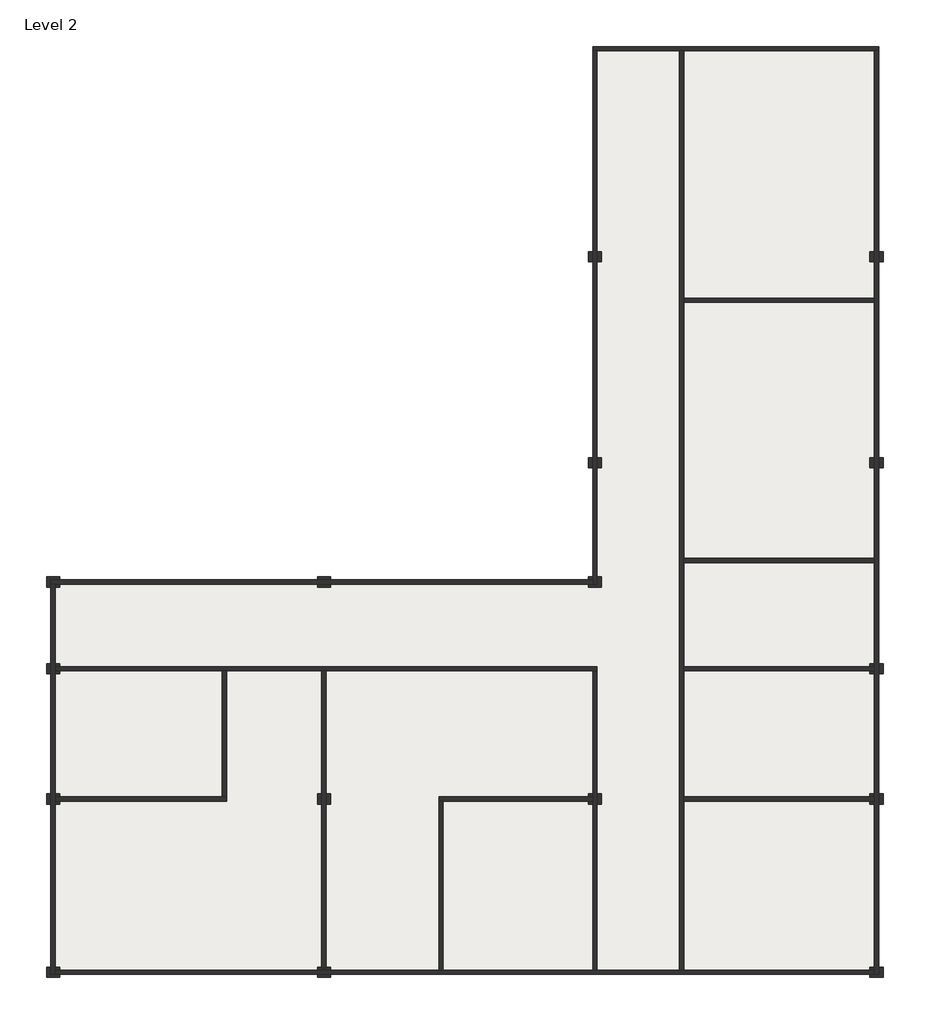
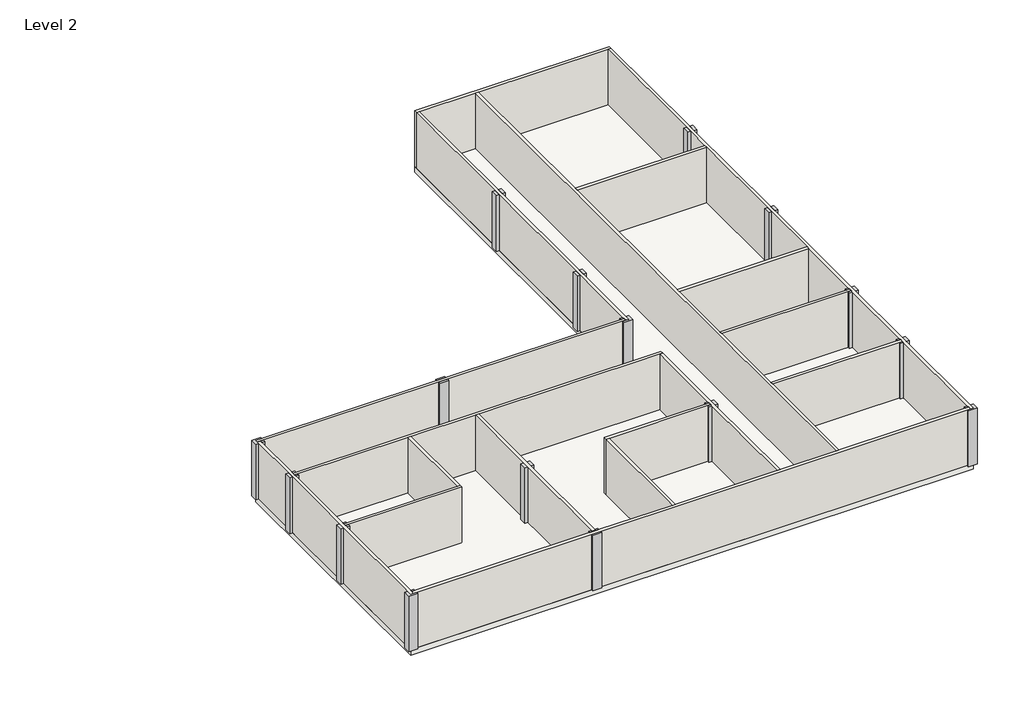
# One storey: 18 walls, 16 columns, 1 slab.
"""IFC4 building model written with IfcOpenShell, lengths in millimetres."""

from ifc_helpers import new_model, si_unit, frame, origin, place, context, project, spatial, polyline, outline, extrude, faceted_brep, element, save

model = new_model("IFC4")

# Units and contexts
model_context = context("Model", 3, world=origin())
ifc_project = project(units=[si_unit("LENGTHUNIT", "METRE", prefix="MILLI")], contexts=[model_context])

# Site, building, storey
site = spatial("IfcSite", under=ifc_project)
building = spatial("IfcBuilding", under=site)
storey = spatial("IfcBuildingStorey", under=building, Name="Level 2", Elevation=4000.0)

# Columns
placement = place(None, origin())
element("IfcColumn", 1, ObjectType="M_Rectangular Column : 475 x 610mm", at=placement, inside=storey, context=model_context, shape_type="SweptSolid", body=[
    extrude(outline(polyline([(6756.4723255, 28103.761327), (6756.4723255, 27628.761327), (6551.4723255, 27628.761327), (6551.4723255, 28103.761327), (6756.4723255, 28103.761327)])), frame((0.0, 0.0, 4000.0), z_axis=(0.0, 0.0, 1.0), x_axis=(1.0, 0.0, 0.0)), (0.0, 0.0, 1.0), 4000.0),
    extrude(outline(polyline([(6146.4723255, 27628.761327), (6146.4723255, 28103.761327), (6351.4723255, 28103.761327), (6351.4723255, 27628.761327), (6146.4723255, 27628.761327)])), frame((0.0, 0.0, 4000.0), z_axis=(0.0, 0.0, 1.0), x_axis=(1.0, 0.0, 0.0)), (0.0, 0.0, 1.0), 4000.0),
])
element("IfcColumn", 2, ObjectType="M_Rectangular Column : 475 x 610mm", at=placement, inside=storey, context=model_context, shape_type="SweptSolid", body=[
    extrude(outline(polyline([(19756.4723255, 28103.761327), (19756.4723255, 27628.761327), (19551.4723255, 27628.761327), (19551.4723255, 28103.761327), (19756.4723255, 28103.761327)])), frame((0.0, 0.0, 4000.0), z_axis=(0.0, 0.0, 1.0), x_axis=(1.0, 0.0, 0.0)), (0.0, 0.0, 1.0), 4000.0),
    extrude(outline(polyline([(19146.4723255, 27628.761327), (19146.4723255, 28103.761327), (19351.4723255, 28103.761327), (19351.4723255, 27628.761327), (19146.4723255, 27628.761327)])), frame((0.0, 0.0, 4000.0), z_axis=(0.0, 0.0, 1.0), x_axis=(1.0, 0.0, 0.0)), (0.0, 0.0, 1.0), 4000.0),
])
element("IfcColumn", 3, ObjectType="M_Rectangular Column : 475 x 610mm", at=placement, inside=storey, context=model_context, shape_type="SweptSolid", body=[
    extrude(outline(polyline([(19756.4723255, 18603.761327), (19756.4723255, 18128.761327), (19551.4723255, 18128.761327), (19551.4723255, 18603.761327), (19756.4723255, 18603.761327)])), frame((0.0, 0.0, 4000.0), z_axis=(0.0, 0.0, 1.0), x_axis=(1.0, 0.0, 0.0)), (0.0, 0.0, 1.0), 4000.0),
    extrude(outline(polyline([(19146.4723255, 18128.761327), (19146.4723255, 18603.761327), (19351.4723255, 18603.761327), (19351.4723255, 18128.761327), (19146.4723255, 18128.761327)])), frame((0.0, 0.0, 4000.0), z_axis=(0.0, 0.0, 1.0), x_axis=(1.0, 0.0, 0.0)), (0.0, 0.0, 1.0), 4000.0),
])
element("IfcColumn", 4, ObjectType="M_Rectangular Column : 475 x 610mm", at=placement, inside=storey, context=model_context, shape_type="SweptSolid", body=[
    extrude(outline(polyline([(6756.4723255, 18603.761327), (6756.4723255, 18128.761327), (6551.4723255, 18128.761327), (6551.4723255, 18603.761327), (6756.4723255, 18603.761327)])), frame((0.0, 0.0, 4000.0), z_axis=(0.0, 0.0, 1.0), x_axis=(1.0, 0.0, 0.0)), (0.0, 0.0, 1.0), 4000.0),
    extrude(outline(polyline([(6146.4723255, 18128.761327), (6146.4723255, 18603.761327), (6351.4723255, 18603.761327), (6351.4723255, 18128.761327), (6146.4723255, 18128.761327)])), frame((0.0, 0.0, 4000.0), z_axis=(0.0, 0.0, 1.0), x_axis=(1.0, 0.0, 0.0)), (0.0, 0.0, 1.0), 4000.0),
])
element("IfcColumn", 5, ObjectType="M_Rectangular Column : 475 x 610mm", at=placement, inside=storey, context=model_context, shape_type="SweptSolid", body=[
    extrude(outline(polyline([(6146.4723255, 13103.761327), (6351.4723255, 13103.761327), (6351.4723255, 12966.261327), (6146.4723255, 12966.261327), (6146.4723255, 13103.761327)])), frame((0.0, 0.0, 4000.0), z_axis=(0.0, 0.0, 1.0), x_axis=(1.0, 0.0, 0.0)), (0.0, 0.0, 1.0), 4000.0),
    extrude(outline(polyline([(6756.4723255, 13103.761327), (6756.4723255, 12628.761327), (6146.4723255, 12628.761327), (6146.4723255, 12766.261327), (6351.4723255, 12766.261327), (6551.4723255, 12766.261327), (6551.4723255, 13103.761327), (6756.4723255, 13103.761327)])), frame((0.0, 0.0, 4000.0), z_axis=(0.0, 0.0, 1.0), x_axis=(1.0, 0.0, 0.0)), (0.0, 0.0, 1.0), 4000.0),
])
element("IfcColumn", 6, ObjectType="M_Rectangular Column : 475 x 610mm", at=placement, inside=storey, context=model_context, shape_type="SweptSolid", body=[
    extrude(outline(polyline([(19756.4723255, 9103.761327), (19756.4723255, 8628.761327), (19551.4723255, 8628.761327), (19551.4723255, 9103.761327), (19756.4723255, 9103.761327)])), frame((0.0, 0.0, 4000.0), z_axis=(0.0, 0.0, 1.0), x_axis=(1.0, 0.0, 0.0)), (0.0, 0.0, 1.0), 4000.0),
    extrude(outline(polyline([(19146.4723255, 8966.261327), (19146.4723255, 9103.761327), (19351.4723255, 9103.761327), (19351.4723255, 8966.261327), (19146.4723255, 8966.261327)])), frame((0.0, 0.0, 4000.0), z_axis=(0.0, 0.0, 1.0), x_axis=(1.0, 0.0, 0.0)), (0.0, 0.0, 1.0), 4000.0),
    extrude(outline(polyline([(19146.4723255, 8628.761327), (19146.4723255, 8766.261327), (19351.4723255, 8766.261327), (19351.4723255, 8628.761327), (19146.4723255, 8628.761327)])), frame((0.0, 0.0, 4000.0), z_axis=(0.0, 0.0, 1.0), x_axis=(1.0, 0.0, 0.0)), (0.0, 0.0, 1.0), 4000.0),
])
element("IfcColumn", 7, ObjectType="M_Rectangular Column : 475 x 610mm", at=placement, inside=storey, context=model_context, shape_type="SweptSolid", body=[
    extrude(outline(polyline([(19756.4723255, 3103.761327), (19756.4723255, 2628.761327), (19551.4723255, 2628.761327), (19551.4723255, 3103.761327), (19756.4723255, 3103.761327)])), frame((0.0, 0.0, 4000.0), z_axis=(0.0, 0.0, 1.0), x_axis=(1.0, 0.0, 0.0)), (0.0, 0.0, 1.0), 4000.0),
    extrude(outline(polyline([(19146.4723255, 2966.261327), (19146.4723255, 3103.761327), (19351.4723255, 3103.761327), (19351.4723255, 2966.261327), (19146.4723255, 2966.261327)])), frame((0.0, 0.0, 4000.0), z_axis=(0.0, 0.0, 1.0), x_axis=(1.0, 0.0, 0.0)), (0.0, 0.0, 1.0), 4000.0),
    extrude(outline(polyline([(19146.4723255, 2628.761327), (19146.4723255, 2766.261327), (19351.4723255, 2766.261327), (19351.4723255, 2628.761327), (19146.4723255, 2628.761327)])), frame((0.0, 0.0, 4000.0), z_axis=(0.0, 0.0, 1.0), x_axis=(1.0, 0.0, 0.0)), (0.0, 0.0, 1.0), 4000.0),
])
element("IfcColumn", 8, ObjectType="M_Rectangular Column : 475 x 610mm", at=placement, inside=storey, context=model_context, shape_type="SweptSolid", body=[
    extrude(outline(polyline([(19146.4723255, -4896.238673), (19351.4723255, -4896.238673), (19351.4723255, -5033.738673), (19146.4723255, -5033.738673), (19146.4723255, -4896.238673)])), frame((0.0, 0.0, 4000.0), z_axis=(0.0, 0.0, 1.0), x_axis=(1.0, 0.0, 0.0)), (0.0, 0.0, 1.0), 4000.0),
    extrude(outline(polyline([(19756.4723255, -4896.238673), (19756.4723255, -5371.238673), (19146.4723255, -5371.238673), (19146.4723255, -5233.738673), (19351.4723255, -5233.738673), (19551.4723255, -5233.738673), (19551.4723255, -4896.238673), (19756.4723255, -4896.238673)])), frame((0.0, 0.0, 4000.0), z_axis=(0.0, 0.0, 1.0), x_axis=(1.0, 0.0, 0.0)), (0.0, 0.0, 1.0), 4000.0),
])
element("IfcColumn", 9, ObjectType="M_Rectangular Column : 475 x 610mm", at=placement, inside=storey, context=model_context, shape_type="SweptSolid", body=[
    extrude(outline(polyline([(6756.4723255, 3103.761327), (6756.4723255, 2628.761327), (6551.4723255, 2628.761327), (6551.4723255, 3103.761327), (6756.4723255, 3103.761327)])), frame((0.0, 0.0, 4000.0), z_axis=(0.0, 0.0, 1.0), x_axis=(1.0, 0.0, 0.0)), (0.0, 0.0, 1.0), 4000.0),
    extrude(outline(polyline([(6146.4723255, 3103.761327), (6351.4723255, 3103.761327), (6351.4723255, 2966.261327), (6146.4723255, 2966.261327), (6146.4723255, 3103.761327)])), frame((0.0, 0.0, 4000.0), z_axis=(0.0, 0.0, 1.0), x_axis=(1.0, 0.0, 0.0)), (0.0, 0.0, 1.0), 4000.0),
    extrude(outline(polyline([(6351.4723255, 2628.761327), (6146.4723255, 2628.761327), (6146.4723255, 2766.261327), (6351.4723255, 2766.261327), (6351.4723255, 2628.761327)])), frame((0.0, 0.0, 4000.0), z_axis=(0.0, 0.0, 1.0), x_axis=(1.0, 0.0, 0.0)), (0.0, 0.0, 1.0), 4000.0),
])
element("IfcColumn", 10, ObjectType="M_Rectangular Column : 475 x 610mm", at=placement, inside=storey, context=model_context, shape_type="SweptSolid", body=[
    extrude(outline(polyline([(-6353.5276745, -4896.238673), (-6148.5276745, -4896.238673), (-6148.5276745, -4933.738673), (-5948.5276745, -4933.738673), (-5948.5276745, -4896.238673), (-5743.5276745, -4896.238673), (-5743.5276745, -5033.738673), (-6353.5276745, -5033.738673), (-6353.5276745, -4896.238673)])), frame((0.0, 0.0, 4000.0), z_axis=(0.0, 0.0, 1.0), x_axis=(1.0, 0.0, 0.0)), (0.0, 0.0, 1.0), 4000.0),
    extrude(outline(polyline([(-5743.5276745, -5371.238673), (-6353.5276745, -5371.238673), (-6353.5276745, -5233.738673), (-5743.5276745, -5233.738673), (-5743.5276745, -5371.238673)])), frame((0.0, 0.0, 4000.0), z_axis=(0.0, 0.0, 1.0), x_axis=(1.0, 0.0, 0.0)), (0.0, 0.0, 1.0), 4000.0),
])
element("IfcColumn", 11, ObjectType="M_Rectangular Column : 475 x 610mm", at=placement, inside=storey, context=model_context, shape_type="SweptSolid", body=[
    extrude(outline(polyline([(-18448.5276745, -4896.238673), (-18243.5276745, -4896.238673), (-18243.5276745, -5033.738673), (-18448.5276745, -5033.738673), (-18448.5276745, -4896.238673)])), frame((0.0, 0.0, 4000.0), z_axis=(0.0, 0.0, 1.0), x_axis=(1.0, 0.0, 0.0)), (0.0, 0.0, 1.0), 4000.0),
    extrude(outline(polyline([(-18243.5276745, -5371.238673), (-18853.5276745, -5371.238673), (-18853.5276745, -4896.238673), (-18648.5276745, -4896.238673), (-18648.5276745, -5233.738673), (-18448.5276745, -5233.738673), (-18243.5276745, -5233.738673), (-18243.5276745, -5371.238673)])), frame((0.0, 0.0, 4000.0), z_axis=(0.0, 0.0, 1.0), x_axis=(1.0, 0.0, 0.0)), (0.0, 0.0, 1.0), 4000.0),
])
element("IfcColumn", 12, ObjectType="M_Rectangular Column : 475 x 610mm", at=placement, inside=storey, context=model_context, shape_type="SweptSolid", body=[
    extrude(outline(polyline([(-18243.5276745, 3103.761327), (-18243.5276745, 2966.261327), (-18448.5276745, 2966.261327), (-18448.5276745, 3103.761327), (-18243.5276745, 3103.761327)])), frame((0.0, 0.0, 4000.0), z_axis=(0.0, 0.0, 1.0), x_axis=(1.0, 0.0, 0.0)), (0.0, 0.0, 1.0), 4000.0),
    extrude(outline(polyline([(-18853.5276745, 2628.761327), (-18853.5276745, 3103.761327), (-18648.5276745, 3103.761327), (-18648.5276745, 2628.761327), (-18853.5276745, 2628.761327)])), frame((0.0, 0.0, 4000.0), z_axis=(0.0, 0.0, 1.0), x_axis=(1.0, 0.0, 0.0)), (0.0, 0.0, 1.0), 4000.0),
    extrude(outline(polyline([(-18243.5276745, 2766.261327), (-18243.5276745, 2628.761327), (-18448.5276745, 2628.761327), (-18448.5276745, 2766.261327), (-18243.5276745, 2766.261327)])), frame((0.0, 0.0, 4000.0), z_axis=(0.0, 0.0, 1.0), x_axis=(1.0, 0.0, 0.0)), (0.0, 0.0, 1.0), 4000.0),
])
element("IfcColumn", 13, ObjectType="M_Rectangular Column : 475 x 610mm", at=placement, inside=storey, context=model_context, shape_type="SweptSolid", body=[
    extrude(outline(polyline([(-5743.5276745, 3103.761327), (-5743.5276745, 2628.761327), (-5948.5276745, 2628.761327), (-5948.5276745, 3103.761327), (-5743.5276745, 3103.761327)])), frame((0.0, 0.0, 4000.0), z_axis=(0.0, 0.0, 1.0), x_axis=(1.0, 0.0, 0.0)), (0.0, 0.0, 1.0), 4000.0),
    extrude(outline(polyline([(-6353.5276745, 2628.761327), (-6353.5276745, 3103.761327), (-6148.5276745, 3103.761327), (-6148.5276745, 2628.761327), (-6353.5276745, 2628.761327)])), frame((0.0, 0.0, 4000.0), z_axis=(0.0, 0.0, 1.0), x_axis=(1.0, 0.0, 0.0)), (0.0, 0.0, 1.0), 4000.0),
])
element("IfcColumn", 14, ObjectType="M_Rectangular Column : 475 x 610mm", at=placement, inside=storey, context=model_context, shape_type="SweptSolid", body=[
    extrude(outline(polyline([(-6353.5276745, 13103.761327), (-5743.5276745, 13103.761327), (-5743.5276745, 12966.261327), (-6353.5276745, 12966.261327), (-6353.5276745, 13103.761327)])), frame((0.0, 0.0, 4000.0), z_axis=(0.0, 0.0, 1.0), x_axis=(1.0, 0.0, 0.0)), (0.0, 0.0, 1.0), 4000.0),
    extrude(outline(polyline([(-5743.5276745, 12628.761327), (-6353.5276745, 12628.761327), (-6353.5276745, 12766.261327), (-5743.5276745, 12766.261327), (-5743.5276745, 12628.761327)])), frame((0.0, 0.0, 4000.0), z_axis=(0.0, 0.0, 1.0), x_axis=(1.0, 0.0, 0.0)), (0.0, 0.0, 1.0), 4000.0),
])
element("IfcColumn", 15, ObjectType="M_Rectangular Column : 475 x 610mm", at=placement, inside=storey, context=model_context, shape_type="SweptSolid", body=[
    extrude(outline(polyline([(-18853.5276745, 12628.761327), (-18853.5276745, 13103.761327), (-18243.5276745, 13103.761327), (-18243.5276745, 12966.261327), (-18648.5276745, 12966.261327), (-18648.5276745, 12766.261327), (-18648.5276745, 12628.761327), (-18853.5276745, 12628.761327)])), frame((0.0, 0.0, 4000.0), z_axis=(0.0, 0.0, 1.0), x_axis=(1.0, 0.0, 0.0)), (0.0, 0.0, 1.0), 4000.0),
    extrude(outline(polyline([(-18243.5276745, 12766.261327), (-18243.5276745, 12628.761327), (-18448.5276745, 12628.761327), (-18448.5276745, 12766.261327), (-18243.5276745, 12766.261327)])), frame((0.0, 0.0, 4000.0), z_axis=(0.0, 0.0, 1.0), x_axis=(1.0, 0.0, 0.0)), (0.0, 0.0, 1.0), 4000.0),
])
element("IfcColumn", 16, ObjectType="M_Rectangular Column : 475 x 610mm", at=placement, inside=storey, context=model_context, shape_type="SweptSolid", body=[
    extrude(outline(polyline([(-18243.5276745, 9103.761327), (-18243.5276745, 8966.261327), (-18448.5276745, 8966.261327), (-18448.5276745, 9103.761327), (-18243.5276745, 9103.761327)])), frame((0.0, 0.0, 4000.0), z_axis=(0.0, 0.0, 1.0), x_axis=(1.0, 0.0, 0.0)), (0.0, 0.0, 1.0), 4000.0),
    extrude(outline(polyline([(-18853.5276745, 8628.761327), (-18853.5276745, 9103.761327), (-18648.5276745, 9103.761327), (-18648.5276745, 8628.761327), (-18853.5276745, 8628.761327)])), frame((0.0, 0.0, 4000.0), z_axis=(0.0, 0.0, 1.0), x_axis=(1.0, 0.0, 0.0)), (0.0, 0.0, 1.0), 4000.0),
    extrude(outline(polyline([(-18243.5276745, 8766.261327), (-18243.5276745, 8628.761327), (-18448.5276745, 8628.761327), (-18448.5276745, 8766.261327), (-18243.5276745, 8766.261327)])), frame((0.0, 0.0, 4000.0), z_axis=(0.0, 0.0, 1.0), x_axis=(1.0, 0.0, 0.0)), (0.0, 0.0, 1.0), 4000.0),
])

# Slab
element("IfcSlab", 17, ObjectType="Generic Floor - 400mm", at=placement, inside=storey, context=model_context, shape_type="SweptSolid", body=[
    extrude(outline(polyline([(6351.4723255, 12966.261327), (6351.4723255, 37566.261327), (19551.4723255, 37566.261327), (19551.4723255, -5233.738673), (-18648.5276745, -5233.738673), (-18648.5276745, 12966.261327), (6351.4723255, 12966.261327)])), frame((0.0, 0.0, 3600.0), z_axis=(0.0, 0.0, 1.0), x_axis=(1.0, 0.0, 0.0)), (0.0, 0.0, 1.0), 400.0),
])

# Walls
element("IfcWall", 18, ObjectType="Generic - 200mm", at=placement, inside=storey, context=model_context, shape_type="Brep", body=[
    faceted_brep([(-18448.5276745, 8766.261327, 4000.0), (-18243.5276745, 8766.261327, 4000.0), (-10748.5276745, 8766.261327, 4000.0), (-10548.5276745, 8766.261327, 4000.0), (-6148.5276745, 8766.261327, 4000.0), (-5948.5276745, 8766.261327, 4000.0), (6351.4723255, 8766.261327, 4000.0), (6551.4723255, 8766.261327, 4000.0), (6551.4723255, 8766.261327, 8000.0), (6351.4723255, 8766.261327, 8000.0), (-5948.5276745, 8766.261327, 8000.0), (-6148.5276745, 8766.261327, 8000.0), (-10548.5276745, 8766.261327, 8000.0), (-10748.5276745, 8766.261327, 8000.0), (-18243.5276745, 8766.261327, 8000.0), (-18448.5276745, 8766.261327, 8000.0), (-18448.5276745, 8966.261327, 4000.0), (-18448.5276745, 8966.261327, 8000.0), (-18243.5276745, 8966.261327, 8000.0), (6551.4723255, 8966.261327, 8000.0), (6551.4723255, 8966.261327, 4000.0), (-18243.5276745, 8966.261327, 4000.0)], [[[0, 1, 2, 3, 4, 5, 6, 7, 8, 9, 10, 11, 12, 13, 14, 15]], [[16, 17, 18, 19, 20, 21]], [[7, 6, 5, 4, 3, 2, 1, 0, 16, 21, 20]], [[15, 14, 13, 12, 11, 10, 9, 8, 19, 18, 17]], [[8, 7, 20, 19]], [[0, 15, 17, 16]]]),
])
element("IfcWall", 19, ObjectType="Generic - 200mm", at=placement, inside=storey, context=model_context, shape_type="Brep", body=[
    faceted_brep([(10351.4723255, 37366.261327, 4000.0), (10351.4723255, -5033.738673, 4000.0), (10351.4723255, -5033.738673, 8000.0), (10351.4723255, 37366.261327, 8000.0), (10551.4723255, 37366.261327, 4000.0), (10551.4723255, 37366.261327, 8000.0), (10551.4723255, 25966.261327, 8000.0), (10551.4723255, 25766.261327, 8000.0), (10551.4723255, 13966.261327, 8000.0), (10551.4723255, 13766.261327, 8000.0), (10551.4723255, 8966.261327, 8000.0), (10551.4723255, 8766.261327, 8000.0), (10551.4723255, 2966.261327, 8000.0), (10551.4723255, 2766.261327, 8000.0), (10551.4723255, -5033.738673, 8000.0), (10551.4723255, -5033.738673, 4000.0), (10551.4723255, 2766.261327, 4000.0), (10551.4723255, 2966.261327, 4000.0), (10551.4723255, 8766.261327, 4000.0), (10551.4723255, 8966.261327, 4000.0), (10551.4723255, 13766.261327, 4000.0), (10551.4723255, 13966.261327, 4000.0), (10551.4723255, 25766.261327, 4000.0), (10551.4723255, 25966.261327, 4000.0)], [[[0, 1, 2, 3]], [[4, 5, 6, 7, 8, 9, 10, 11, 12, 13, 14, 15, 16, 17, 18, 19, 20, 21, 22, 23]], [[1, 0, 4, 23, 22, 21, 20, 19, 18, 17, 16, 15]], [[3, 2, 14, 13, 12, 11, 10, 9, 8, 7, 6, 5]], [[0, 3, 5, 4]], [[2, 1, 15, 14]]]),
])
element("IfcWall", 20, ObjectType="Generic - 200mm", at=placement, inside=storey, context=model_context, shape_type="SweptSolid", body=[
    extrude(outline(polyline([(19351.4723255, 25766.261327), (10551.4723255, 25766.261327), (10551.4723255, 25966.261327), (19351.4723255, 25966.261327), (19351.4723255, 25766.261327)])), frame((0.0, 0.0, 4000.0), z_axis=(0.0, 0.0, 1.0), x_axis=(1.0, 0.0, 0.0)), (0.0, 0.0, 1.0), 4000.0),
])
element("IfcWall", 21, ObjectType="Generic - 200mm", at=placement, inside=storey, context=model_context, shape_type="SweptSolid", body=[
    extrude(outline(polyline([(19351.4723255, 13766.261327), (10551.4723255, 13766.261327), (10551.4723255, 13966.261327), (19351.4723255, 13966.261327), (19351.4723255, 13766.261327)])), frame((0.0, 0.0, 4000.0), z_axis=(0.0, 0.0, 1.0), x_axis=(1.0, 0.0, 0.0)), (0.0, 0.0, 1.0), 4000.0),
])
element("IfcWall", 22, ObjectType="Generic - 200mm", at=placement, inside=storey, context=model_context, shape_type="Brep", body=[
    faceted_brep([(6351.4723255, 8766.261327, 4000.0), (6351.4723255, 3103.761327, 4000.0), (6351.4723255, 2966.261327, 4000.0), (6351.4723255, 2766.261327, 4000.0), (6351.4723255, 2628.761327, 4000.0), (6351.4723255, -5033.738673, 4000.0), (6351.4723255, -5033.738673, 8000.0), (6351.4723255, 2628.761327, 8000.0), (6351.4723255, 2766.261327, 8000.0), (6351.4723255, 2966.261327, 8000.0), (6351.4723255, 3103.761327, 8000.0), (6351.4723255, 8766.261327, 8000.0), (6551.4723255, 8766.261327, 4000.0), (6551.4723255, 8766.261327, 8000.0), (6551.4723255, 3103.761327, 8000.0), (6551.4723255, 2628.761327, 8000.0), (6551.4723255, -5033.738673, 8000.0), (6551.4723255, -5033.738673, 4000.0), (6551.4723255, 2628.761327, 4000.0), (6551.4723255, 3103.761327, 4000.0)], [[[0, 1, 2, 3, 4, 5, 6, 7, 8, 9, 10, 11]], [[12, 13, 14, 15, 16, 17, 18, 19]], [[5, 4, 3, 2, 1, 0, 12, 19, 18, 17]], [[11, 10, 9, 8, 7, 6, 16, 15, 14, 13]], [[0, 11, 13, 12]], [[6, 5, 17, 16]]]),
])
element("IfcWall", 23, ObjectType="Generic - 200mm", at=placement, inside=storey, context=model_context, shape_type="Brep", body=[
    faceted_brep([(10551.4723255, 8766.261327, 4000.0), (19146.4723255, 8766.261327, 4000.0), (19351.4723255, 8766.261327, 4000.0), (19351.4723255, 8766.261327, 8000.0), (19146.4723255, 8766.261327, 8000.0), (10551.4723255, 8766.261327, 8000.0), (10551.4723255, 8966.261327, 4000.0), (10551.4723255, 8966.261327, 8000.0), (19146.4723255, 8966.261327, 8000.0), (19351.4723255, 8966.261327, 8000.0), (19351.4723255, 8966.261327, 4000.0), (19146.4723255, 8966.261327, 4000.0)], [[[0, 1, 2, 3, 4, 5]], [[6, 7, 8, 9, 10, 11]], [[2, 1, 0, 6, 11, 10]], [[5, 4, 3, 9, 8, 7]], [[0, 5, 7, 6]], [[3, 2, 10, 9]]]),
])
element("IfcWall", 24, ObjectType="Generic - 200mm", at=placement, inside=storey, context=model_context, shape_type="Brep", body=[
    faceted_brep([(-6148.5276745, 8766.261327, 4000.0), (-6148.5276745, 3103.761327, 4000.0), (-6148.5276745, 2628.761327, 4000.0), (-6148.5276745, -4896.238673, 4000.0), (-6148.5276745, -4933.738673, 4000.0), (-6148.5276745, -4933.738673, 8000.0), (-6148.5276745, -4896.238673, 8000.0), (-6148.5276745, 2628.761327, 8000.0), (-6148.5276745, 3103.761327, 8000.0), (-6148.5276745, 8766.261327, 8000.0), (-5948.5276745, 8766.261327, 4000.0), (-5948.5276745, 8766.261327, 8000.0), (-5948.5276745, 3103.761327, 8000.0), (-5948.5276745, 2628.761327, 8000.0), (-5948.5276745, -4896.238673, 8000.0), (-5948.5276745, -4933.738673, 8000.0), (-5948.5276745, -4933.738673, 4000.0), (-5948.5276745, -4896.238673, 4000.0), (-5948.5276745, 2628.761327, 4000.0), (-5948.5276745, 3103.761327, 4000.0)], [[[0, 1, 2, 3, 4, 5, 6, 7, 8, 9]], [[10, 11, 12, 13, 14, 15, 16, 17, 18, 19]], [[4, 3, 2, 1, 0, 10, 19, 18, 17, 16]], [[5, 4, 16, 15]], [[9, 8, 7, 6, 5, 15, 14, 13, 12, 11]], [[0, 9, 11, 10]]]),
])
element("IfcWall", 25, ObjectType="Generic - 200mm", at=placement, inside=storey, context=model_context, shape_type="Brep", body=[
    faceted_brep([(-18448.5276745, 2766.261327, 4000.0), (-18243.5276745, 2766.261327, 4000.0), (-10548.5276745, 2766.261327, 4000.0), (-10548.5276745, 2766.261327, 8000.0), (-18243.5276745, 2766.261327, 8000.0), (-18448.5276745, 2766.261327, 8000.0), (-18448.5276745, 2966.261327, 4000.0), (-18448.5276745, 2966.261327, 8000.0), (-18243.5276745, 2966.261327, 8000.0), (-10748.5276745, 2966.261327, 8000.0), (-10548.5276745, 2966.261327, 8000.0), (-10548.5276745, 2966.261327, 4000.0), (-10748.5276745, 2966.261327, 4000.0), (-18243.5276745, 2966.261327, 4000.0)], [[[0, 1, 2, 3, 4, 5]], [[6, 7, 8, 9, 10, 11, 12, 13]], [[2, 1, 0, 6, 13, 12, 11]], [[5, 4, 3, 10, 9, 8, 7]], [[3, 2, 11, 10]], [[0, 5, 7, 6]]]),
])
element("IfcWall", 26, ObjectType="Generic - 200mm", at=placement, inside=storey, context=model_context, shape_type="SweptSolid", body=[
    extrude(outline(polyline([(-10548.5276745, 8766.261327), (-10548.5276745, 2966.261327), (-10748.5276745, 2966.261327), (-10748.5276745, 8766.261327), (-10548.5276745, 8766.261327)])), frame((0.0, 0.0, 4000.0), z_axis=(0.0, 0.0, 1.0), x_axis=(1.0, 0.0, 0.0)), (0.0, 0.0, 1.0), 4000.0),
])
element("IfcWall", 27, ObjectType="Generic - 200mm", at=placement, inside=storey, context=model_context, shape_type="Brep", body=[
    faceted_brep([(6351.4723255, 2966.261327, 4000.0), (6146.4723255, 2966.261327, 4000.0), (-748.5276745, 2966.261327, 4000.0), (-748.5276745, 2966.261327, 8000.0), (6146.4723255, 2966.261327, 8000.0), (6351.4723255, 2966.261327, 8000.0), (6351.4723255, 2766.261327, 4000.0), (6351.4723255, 2766.261327, 8000.0), (6146.4723255, 2766.261327, 8000.0), (-548.5276745, 2766.261327, 8000.0), (-748.5276745, 2766.261327, 8000.0), (-748.5276745, 2766.261327, 4000.0), (-548.5276745, 2766.261327, 4000.0), (6146.4723255, 2766.261327, 4000.0)], [[[0, 1, 2, 3, 4, 5]], [[6, 7, 8, 9, 10, 11, 12, 13]], [[2, 1, 0, 6, 13, 12, 11]], [[5, 4, 3, 10, 9, 8, 7]], [[0, 5, 7, 6]], [[3, 2, 11, 10]]]),
])
element("IfcWall", 28, ObjectType="Generic - 200mm", at=placement, inside=storey, context=model_context, shape_type="SweptSolid", body=[
    extrude(outline(polyline([(-748.5276745, -5033.738673), (-748.5276745, 2766.261327), (-548.5276745, 2766.261327), (-548.5276745, -5033.738673), (-748.5276745, -5033.738673)])), frame((0.0, 0.0, 4000.0), z_axis=(0.0, 0.0, 1.0), x_axis=(1.0, 0.0, 0.0)), (0.0, 0.0, 1.0), 4000.0),
])
element("IfcWall", 29, ObjectType="Generic - 200mm", at=placement, inside=storey, context=model_context, shape_type="Brep", body=[
    faceted_brep([(10551.4723255, 2766.261327, 4000.0), (19146.4723255, 2766.261327, 4000.0), (19351.4723255, 2766.261327, 4000.0), (19351.4723255, 2766.261327, 8000.0), (19146.4723255, 2766.261327, 8000.0), (10551.4723255, 2766.261327, 8000.0), (10551.4723255, 2966.261327, 4000.0), (10551.4723255, 2966.261327, 8000.0), (19146.4723255, 2966.261327, 8000.0), (19351.4723255, 2966.261327, 8000.0), (19351.4723255, 2966.261327, 4000.0), (19146.4723255, 2966.261327, 4000.0)], [[[0, 1, 2, 3, 4, 5]], [[6, 7, 8, 9, 10, 11]], [[2, 1, 0, 6, 11, 10]], [[5, 4, 3, 9, 8, 7]], [[0, 5, 7, 6]], [[3, 2, 10, 9]]]),
])
element("IfcWall", 30, ObjectType="Generic - 200mm", at=placement, inside=storey, context=model_context, shape_type="Brep", body=[
    faceted_brep([(6351.4723255, 37366.261327, 4000.0), (6551.4723255, 37366.261327, 4000.0), (10351.4723255, 37366.261327, 4000.0), (10551.4723255, 37366.261327, 4000.0), (19351.4723255, 37366.261327, 4000.0), (19551.4723255, 37366.261327, 4000.0), (19551.4723255, 37366.261327, 8000.0), (19351.4723255, 37366.261327, 8000.0), (10551.4723255, 37366.261327, 8000.0), (10351.4723255, 37366.261327, 8000.0), (6551.4723255, 37366.261327, 8000.0), (6351.4723255, 37366.261327, 8000.0), (6351.4723255, 37566.261327, 4000.0), (6351.4723255, 37566.261327, 8000.0), (19551.4723255, 37566.261327, 8000.0), (19551.4723255, 37566.261327, 4000.0)], [[[0, 1, 2, 3, 4, 5, 6, 7, 8, 9, 10, 11]], [[12, 13, 14, 15]], [[5, 4, 3, 2, 1, 0, 12, 15]], [[11, 10, 9, 8, 7, 6, 14, 13]], [[6, 5, 15, 14]], [[0, 11, 13, 12]]]),
])
element("IfcWall", 31, ObjectType="Generic - 200mm", at=placement, inside=storey, context=model_context, shape_type="Brep", body=[
    faceted_brep([(19551.4723255, -5233.738673, 4000.0), (19551.4723255, -4896.238673, 4000.0), (19551.4723255, 2628.761327, 4000.0), (19551.4723255, 3103.761327, 4000.0), (19551.4723255, 8628.761327, 4000.0), (19551.4723255, 9103.761327, 4000.0), (19551.4723255, 18128.761327, 4000.0), (19551.4723255, 18603.761327, 4000.0), (19551.4723255, 27628.761327, 4000.0), (19551.4723255, 28103.761327, 4000.0), (19551.4723255, 37366.261327, 4000.0), (19551.4723255, 37366.261327, 8000.0), (19551.4723255, 28103.761327, 8000.0), (19551.4723255, 27628.761327, 8000.0), (19551.4723255, 18603.761327, 8000.0), (19551.4723255, 18128.761327, 8000.0), (19551.4723255, 9103.761327, 8000.0), (19551.4723255, 8628.761327, 8000.0), (19551.4723255, 3103.761327, 8000.0), (19551.4723255, 2628.761327, 8000.0), (19551.4723255, -4896.238673, 8000.0), (19551.4723255, -5233.738673, 8000.0), (19351.4723255, -5233.738673, 4000.0), (19351.4723255, -5233.738673, 8000.0), (19351.4723255, -5033.738673, 8000.0), (19351.4723255, -4896.238673, 8000.0), (19351.4723255, 2628.761327, 8000.0), (19351.4723255, 2766.261327, 8000.0), (19351.4723255, 2966.261327, 8000.0), (19351.4723255, 3103.761327, 8000.0), (19351.4723255, 8628.761327, 8000.0), (19351.4723255, 8766.261327, 8000.0), (19351.4723255, 8966.261327, 8000.0), (19351.4723255, 9103.761327, 8000.0), (19351.4723255, 13766.261327, 8000.0), (19351.4723255, 13966.261327, 8000.0), (19351.4723255, 18128.761327, 8000.0), (19351.4723255, 18603.761327, 8000.0), (19351.4723255, 25766.261327, 8000.0), (19351.4723255, 25966.261327, 8000.0), (19351.4723255, 27628.761327, 8000.0), (19351.4723255, 28103.761327, 8000.0), (19351.4723255, 37366.261327, 8000.0), (19351.4723255, 37366.261327, 4000.0), (19351.4723255, 28103.761327, 4000.0), (19351.4723255, 27628.761327, 4000.0), (19351.4723255, 25966.261327, 4000.0), (19351.4723255, 25766.261327, 4000.0), (19351.4723255, 18603.761327, 4000.0), (19351.4723255, 18128.761327, 4000.0), (19351.4723255, 13966.261327, 4000.0), (19351.4723255, 13766.261327, 4000.0), (19351.4723255, 9103.761327, 4000.0), (19351.4723255, 8966.261327, 4000.0), (19351.4723255, 8766.261327, 4000.0), (19351.4723255, 8628.761327, 4000.0), (19351.4723255, 3103.761327, 4000.0), (19351.4723255, 2966.261327, 4000.0), (19351.4723255, 2766.261327, 4000.0), (19351.4723255, 2628.761327, 4000.0), (19351.4723255, -4896.238673, 4000.0), (19351.4723255, -5033.738673, 4000.0)], [[[0, 1, 2, 3, 4, 5, 6, 7, 8, 9, 10, 11, 12, 13, 14, 15, 16, 17, 18, 19, 20, 21]], [[22, 23, 24, 25, 26, 27, 28, 29, 30, 31, 32, 33, 34, 35, 36, 37, 38, 39, 40, 41, 42, 43, 44, 45, 46, 47, 48, 49, 50, 51, 52, 53, 54, 55, 56, 57, 58, 59, 60, 61]], [[10, 9, 8, 7, 6, 5, 4, 3, 2, 1, 0, 22, 61, 60, 59, 58, 57, 56, 55, 54, 53, 52, 51, 50, 49, 48, 47, 46, 45, 44, 43]], [[21, 20, 19, 18, 17, 16, 15, 14, 13, 12, 11, 42, 41, 40, 39, 38, 37, 36, 35, 34, 33, 32, 31, 30, 29, 28, 27, 26, 25, 24, 23]], [[0, 21, 23, 22]], [[11, 10, 43, 42]]]),
])
element("IfcWall", 32, ObjectType="Generic - 200mm", at=placement, inside=storey, context=model_context, shape_type="Brep", body=[
    faceted_brep([(6351.4723255, 37366.261327, 4000.0), (6351.4723255, 28103.761327, 4000.0), (6351.4723255, 27628.761327, 4000.0), (6351.4723255, 18603.761327, 4000.0), (6351.4723255, 18128.761327, 4000.0), (6351.4723255, 13103.761327, 4000.0), (6351.4723255, 12966.261327, 4000.0), (6351.4723255, 12766.261327, 4000.0), (6351.4723255, 12766.261327, 8000.0), (6351.4723255, 12966.261327, 8000.0), (6351.4723255, 13103.761327, 8000.0), (6351.4723255, 18128.761327, 8000.0), (6351.4723255, 18603.761327, 8000.0), (6351.4723255, 27628.761327, 8000.0), (6351.4723255, 28103.761327, 8000.0), (6351.4723255, 37366.261327, 8000.0), (6551.4723255, 37366.261327, 4000.0), (6551.4723255, 37366.261327, 8000.0), (6551.4723255, 28103.761327, 8000.0), (6551.4723255, 27628.761327, 8000.0), (6551.4723255, 18603.761327, 8000.0), (6551.4723255, 18128.761327, 8000.0), (6551.4723255, 13103.761327, 8000.0), (6551.4723255, 12766.261327, 8000.0), (6551.4723255, 12766.261327, 4000.0), (6551.4723255, 13103.761327, 4000.0), (6551.4723255, 18128.761327, 4000.0), (6551.4723255, 18603.761327, 4000.0), (6551.4723255, 27628.761327, 4000.0), (6551.4723255, 28103.761327, 4000.0)], [[[0, 1, 2, 3, 4, 5, 6, 7, 8, 9, 10, 11, 12, 13, 14, 15]], [[16, 17, 18, 19, 20, 21, 22, 23, 24, 25, 26, 27, 28, 29]], [[7, 6, 5, 4, 3, 2, 1, 0, 16, 29, 28, 27, 26, 25, 24]], [[15, 14, 13, 12, 11, 10, 9, 8, 23, 22, 21, 20, 19, 18, 17]], [[8, 7, 24, 23]], [[0, 15, 17, 16]]]),
])
element("IfcWall", 33, ObjectType="Generic - 200mm", at=placement, inside=storey, context=model_context, shape_type="Brep", body=[
    faceted_brep([(6351.4723255, 12966.261327, 4000.0), (6146.4723255, 12966.261327, 4000.0), (-5743.5276745, 12966.261327, 4000.0), (-6353.5276745, 12966.261327, 4000.0), (-18243.5276745, 12966.261327, 4000.0), (-18648.5276745, 12966.261327, 4000.0), (-18648.5276745, 12966.261327, 8000.0), (-18243.5276745, 12966.261327, 8000.0), (-6353.5276745, 12966.261327, 8000.0), (-5743.5276745, 12966.261327, 8000.0), (6146.4723255, 12966.261327, 8000.0), (6351.4723255, 12966.261327, 8000.0), (6351.4723255, 12766.261327, 4000.0), (6351.4723255, 12766.261327, 8000.0), (6146.4723255, 12766.261327, 8000.0), (-5743.5276745, 12766.261327, 8000.0), (-6353.5276745, 12766.261327, 8000.0), (-18243.5276745, 12766.261327, 8000.0), (-18448.5276745, 12766.261327, 8000.0), (-18648.5276745, 12766.261327, 8000.0), (-18648.5276745, 12766.261327, 4000.0), (-18448.5276745, 12766.261327, 4000.0), (-18243.5276745, 12766.261327, 4000.0), (-6353.5276745, 12766.261327, 4000.0), (-5743.5276745, 12766.261327, 4000.0), (6146.4723255, 12766.261327, 4000.0)], [[[0, 1, 2, 3, 4, 5, 6, 7, 8, 9, 10, 11]], [[12, 13, 14, 15, 16, 17, 18, 19, 20, 21, 22, 23, 24, 25]], [[5, 4, 3, 2, 1, 0, 12, 25, 24, 23, 22, 21, 20]], [[11, 10, 9, 8, 7, 6, 19, 18, 17, 16, 15, 14, 13]], [[0, 11, 13, 12]], [[6, 5, 20, 19]]]),
])
element("IfcWall", 34, ObjectType="Generic - 200mm", at=placement, inside=storey, context=model_context, shape_type="Brep", body=[
    faceted_brep([(-18648.5276745, 12766.261327, 4000.0), (-18648.5276745, 12628.761327, 4000.0), (-18648.5276745, 9103.761327, 4000.0), (-18648.5276745, 8628.761327, 4000.0), (-18648.5276745, 3103.761327, 4000.0), (-18648.5276745, 2628.761327, 4000.0), (-18648.5276745, -4896.238673, 4000.0), (-18648.5276745, -5233.738673, 4000.0), (-18648.5276745, -5233.738673, 8000.0), (-18648.5276745, -4896.238673, 8000.0), (-18648.5276745, 2628.761327, 8000.0), (-18648.5276745, 3103.761327, 8000.0), (-18648.5276745, 8628.761327, 8000.0), (-18648.5276745, 9103.761327, 8000.0), (-18648.5276745, 12628.761327, 8000.0), (-18648.5276745, 12766.261327, 8000.0), (-18448.5276745, 12766.261327, 4000.0), (-18448.5276745, 12766.261327, 8000.0), (-18448.5276745, 12628.761327, 8000.0), (-18448.5276745, 9103.761327, 8000.0), (-18448.5276745, 8966.261327, 8000.0), (-18448.5276745, 8766.261327, 8000.0), (-18448.5276745, 8628.761327, 8000.0), (-18448.5276745, 3103.761327, 8000.0), (-18448.5276745, 2966.261327, 8000.0), (-18448.5276745, 2766.261327, 8000.0), (-18448.5276745, 2628.761327, 8000.0), (-18448.5276745, -4896.238673, 8000.0), (-18448.5276745, -5033.738673, 8000.0), (-18448.5276745, -5233.738673, 8000.0), (-18448.5276745, -5233.738673, 4000.0), (-18448.5276745, -5033.738673, 4000.0), (-18448.5276745, -4896.238673, 4000.0), (-18448.5276745, 2628.761327, 4000.0), (-18448.5276745, 2766.261327, 4000.0), (-18448.5276745, 2966.261327, 4000.0), (-18448.5276745, 3103.761327, 4000.0), (-18448.5276745, 8628.761327, 4000.0), (-18448.5276745, 8766.261327, 4000.0), (-18448.5276745, 8966.261327, 4000.0), (-18448.5276745, 9103.761327, 4000.0), (-18448.5276745, 12628.761327, 4000.0)], [[[0, 1, 2, 3, 4, 5, 6, 7, 8, 9, 10, 11, 12, 13, 14, 15]], [[16, 17, 18, 19, 20, 21, 22, 23, 24, 25, 26, 27, 28, 29, 30, 31, 32, 33, 34, 35, 36, 37, 38, 39, 40, 41]], [[7, 6, 5, 4, 3, 2, 1, 0, 16, 41, 40, 39, 38, 37, 36, 35, 34, 33, 32, 31, 30]], [[15, 14, 13, 12, 11, 10, 9, 8, 29, 28, 27, 26, 25, 24, 23, 22, 21, 20, 19, 18, 17]], [[0, 15, 17, 16]], [[8, 7, 30, 29]]]),
])
element("IfcWall", 35, ObjectType="Generic - 200mm", at=placement, inside=storey, context=model_context, shape_type="Brep", body=[
    faceted_brep([(-18448.5276745, -5233.738673, 4000.0), (-18243.5276745, -5233.738673, 4000.0), (-6353.5276745, -5233.738673, 4000.0), (-5743.5276745, -5233.738673, 4000.0), (19146.4723255, -5233.738673, 4000.0), (19351.4723255, -5233.738673, 4000.0), (19351.4723255, -5233.738673, 8000.0), (19146.4723255, -5233.738673, 8000.0), (-5743.5276745, -5233.738673, 8000.0), (-6353.5276745, -5233.738673, 8000.0), (-18243.5276745, -5233.738673, 8000.0), (-18448.5276745, -5233.738673, 8000.0), (-18448.5276745, -5033.738673, 4000.0), (-18448.5276745, -5033.738673, 8000.0), (-18243.5276745, -5033.738673, 8000.0), (-6353.5276745, -5033.738673, 8000.0), (-5743.5276745, -5033.738673, 8000.0), (-748.5276745, -5033.738673, 8000.0), (-548.5276745, -5033.738673, 8000.0), (6351.4723255, -5033.738673, 8000.0), (6551.4723255, -5033.738673, 8000.0), (10351.4723255, -5033.738673, 8000.0), (10551.4723255, -5033.738673, 8000.0), (19146.4723255, -5033.738673, 8000.0), (19351.4723255, -5033.738673, 8000.0), (19351.4723255, -5033.738673, 4000.0), (19146.4723255, -5033.738673, 4000.0), (10551.4723255, -5033.738673, 4000.0), (10351.4723255, -5033.738673, 4000.0), (6551.4723255, -5033.738673, 4000.0), (6351.4723255, -5033.738673, 4000.0), (-548.5276745, -5033.738673, 4000.0), (-748.5276745, -5033.738673, 4000.0), (-5743.5276745, -5033.738673, 4000.0), (-6353.5276745, -5033.738673, 4000.0), (-18243.5276745, -5033.738673, 4000.0)], [[[0, 1, 2, 3, 4, 5, 6, 7, 8, 9, 10, 11]], [[12, 13, 14, 15, 16, 17, 18, 19, 20, 21, 22, 23, 24, 25, 26, 27, 28, 29, 30, 31, 32, 33, 34, 35]], [[5, 4, 3, 2, 1, 0, 12, 35, 34, 33, 32, 31, 30, 29, 28, 27, 26, 25]], [[11, 10, 9, 8, 7, 6, 24, 23, 22, 21, 20, 19, 18, 17, 16, 15, 14, 13]], [[6, 5, 25, 24]], [[0, 11, 13, 12]]]),
])

save(model, "model.ifc")
